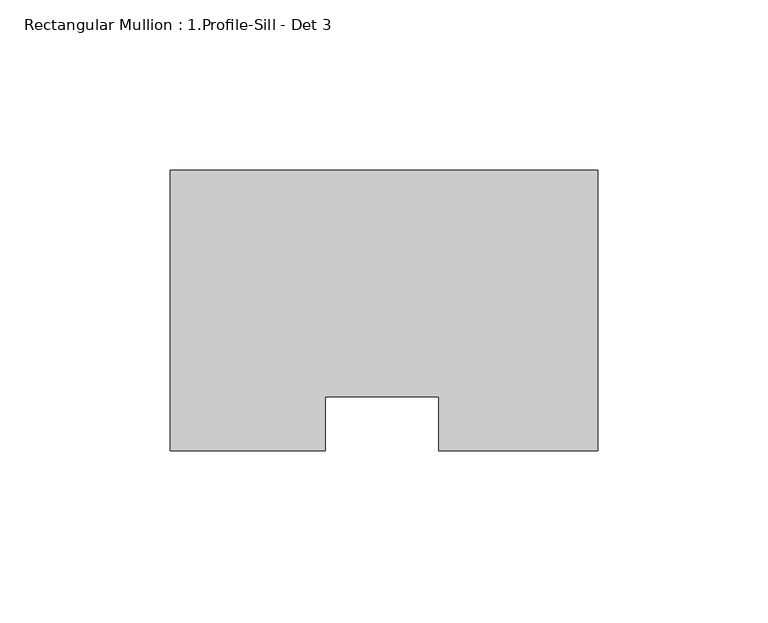
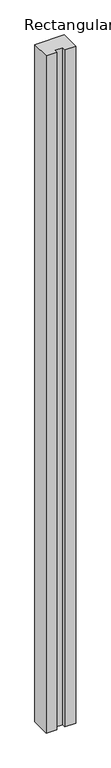
"""IFC4 building model written with IfcOpenShell, lengths in millimetres: member geometry, Rectangular Mullion : 1.Profile-Sill - Det 3."""

from ifc_helpers import new_model, si_unit, frame, origin, place, context, project, spatial, polyline, outline, extrude, source, transform, mapped, element, save


def rectangular_mullion_1_profile_sill_det_3_61a90ce1(model_context):
    return source(origin(), model_context, "Body", "SweptSolid", [
        extrude(outline(polyline([(-46.7873187, -43.0578917), (-46.7873187, -27.1828917), (-80.2341338, -27.1828917), (-80.2341338, -43.0578917), (-125.7808, -43.0578917), (-125.7808, 39.497), (0.0, 39.497), (0.0, -43.0578917), (-46.7873187, -43.0578917)])), frame((0.0, 0.0, -3048.0), z_axis=(0.0, 0.0, 1.0), x_axis=(1.0, 0.0, 0.0)), (0.0, 0.0, 1.0), 3048.0),
    ])


if __name__ == "__main__":
    model = new_model("IFC4")
    model_context = context("Model", 3, world=origin())
    ifc_project = project(units=[si_unit("LENGTHUNIT", "METRE", prefix="MILLI")], contexts=[model_context])
    site = spatial("IfcSite", under=ifc_project)
    building = spatial("IfcBuilding", under=site)
    placement = place(None, origin())
    rectangular_mullion_1_profile_sill_det_3_shape = rectangular_mullion_1_profile_sill_det_3_61a90ce1(model_context)
    element("IfcMember", 1, ObjectType="Rectangular Mullion : 1.Profile-Sill - Det 3", at=placement, inside=building, context=model_context, shape_type="MappedRepresentation", body=[
        mapped(rectangular_mullion_1_profile_sill_det_3_shape, transform((0.0, 0.0, 0.0), x_axis=(1.0, 0.0, 0.0), y_axis=(0.0, 1.0, 0.0), z_axis=(0.0, 0.0, 1.0))),
    ])
    save(model, "model.ifc")
